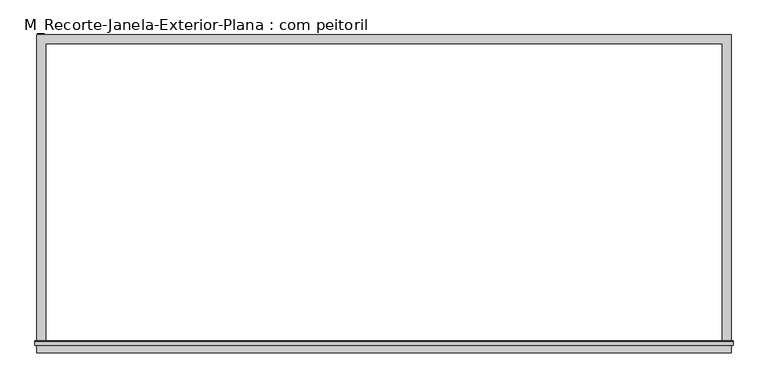
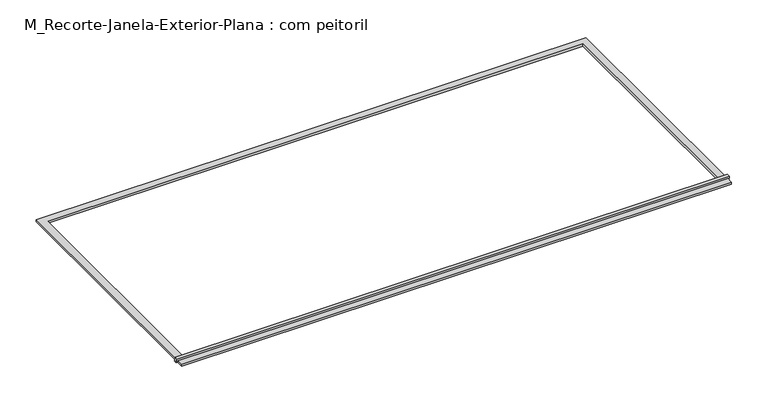
"""IFC4 building model written with IfcOpenShell, lengths in millimetres: proxy geometry, M_Recorte-Janela-Exterior-Plana : com peitoril."""

from ifc_helpers import new_model, si_unit, frame, origin, origin_with_axes, place, context, project, spatial, polyline, outline, extrude, source, transform, mapped, element, save


def m_recorte_janela_exterior_plana_com_peitoril_5e19d6e5(model_context):
    return source(origin(), model_context, "Body", "SweptSolid", [
        extrude(outline(polyline([(2335.0, -2020.4323709), (2335.0, -2080.4323709), (-2335.0, -2080.4323709), (-2335.0, -2020.4323709), (2335.0, -2020.4323709)])), origin_with_axes(), (0.0, 0.0, 1.0), 19.05),
        extrude(outline(polyline([(-2030.0, 38.1), (-2002.4580645, 38.1), (-2000.0, 19.05), (-2000.0, 0.0), (-2020.4323709, 0.0), (-2020.4323709, 19.05), (-2030.0, 19.05), (-2030.0, 38.1)])), frame((-2347.7, 0.0, 0.0), z_axis=(1.0, 0.0, 0.0), x_axis=(0.0, 1.0, 0.0)), (0.0, 0.0, 1.0), 4695.4),
        extrude(outline(polyline([(-2335.0, 60.0), (2335.0, 60.0), (2335.0, -2000.0), (2275.0, -2000.0), (2275.0, 0.0), (-2275.0, 0.0), (-2275.0, -2000.0), (-2335.0, -2000.0), (-2335.0, 60.0)])), origin_with_axes(), (0.0, 0.0, 1.0), 19.05),
    ])


if __name__ == "__main__":
    model = new_model("IFC4")
    model_context = context("Model", 3, world=origin())
    ifc_project = project(units=[si_unit("LENGTHUNIT", "METRE", prefix="MILLI")], contexts=[model_context])
    site = spatial("IfcSite", under=ifc_project)
    building = spatial("IfcBuilding", under=site)
    placement = place(None, origin())
    m_recorte_janela_exterior_plana_com_peitoril_shape = m_recorte_janela_exterior_plana_com_peitoril_5e19d6e5(model_context)
    element("IfcBuildingElementProxy", 1, Name="M_Recorte-Janela-Exterior-Plana : com peitoril", ObjectType="M_Recorte-Janela-Exterior-Plana : com peitoril", at=placement, inside=building, context=model_context, shape_type="MappedRepresentation", body=[
        mapped(m_recorte_janela_exterior_plana_com_peitoril_shape, transform((0.0, 0.0, 0.0), x_axis=(1.0, 0.0, 0.0), y_axis=(0.0, 1.0, 0.0), z_axis=(0.0, 0.0, 1.0))),
    ])
    save(model, "model.ifc")
